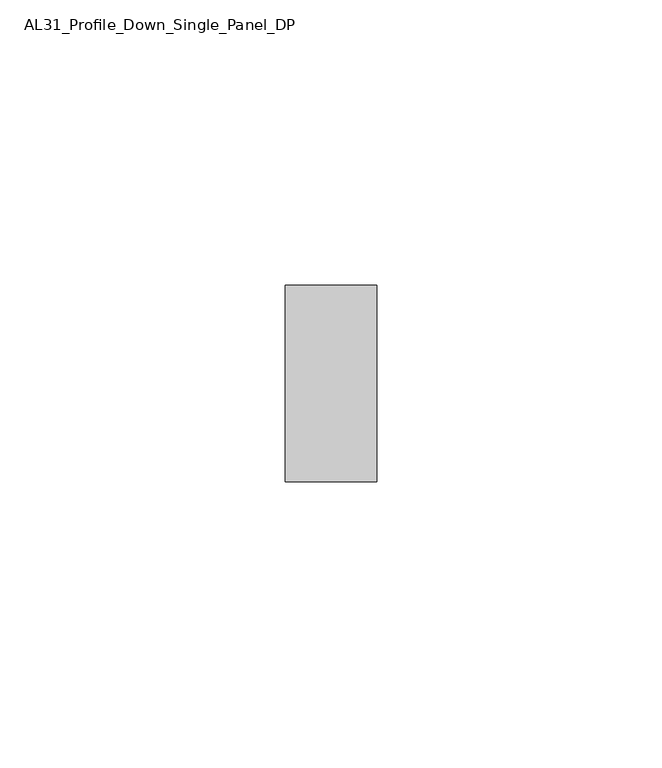
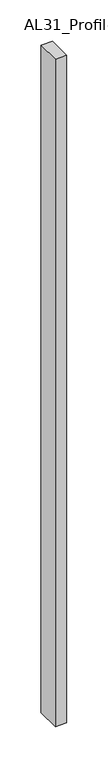
"""IFC4 building model written with IfcOpenShell, lengths in millimetres: member geometry, AL31_Profile_Down_Single_Panel_DP."""

from ifc_helpers import new_model, si_unit, frame, origin, place, context, project, spatial, polyline, outline, extrude, source, transform, mapped, element, save


def al31_profile_down_single_panel_dp_6d91a430(model_context):
    return source(origin(), model_context, "Body", "SweptSolid", [
        extrude(outline(polyline([(0.0, 37.107), (0.0, 2.607), (-16.0427074, 2.607), (-16.0427074, 37.107), (0.0, 37.107)])), frame((0.0, 0.0, -987.4001021), z_axis=(0.0, 0.0, 1.0), x_axis=(1.0, 0.0, 0.0)), (0.0, 0.0, 1.0), 987.4001021),
    ])


if __name__ == "__main__":
    model = new_model("IFC4")
    model_context = context("Model", 3, world=origin())
    ifc_project = project(units=[si_unit("LENGTHUNIT", "METRE", prefix="MILLI")], contexts=[model_context])
    site = spatial("IfcSite", under=ifc_project)
    building = spatial("IfcBuilding", under=site)
    placement = place(None, origin())
    al31_profile_down_single_panel_dp_shape = al31_profile_down_single_panel_dp_6d91a430(model_context)
    element("IfcMember", 1, ObjectType="AL31_Profile_Down_Single_Panel_DP", at=placement, inside=building, context=model_context, shape_type="MappedRepresentation", body=[
        mapped(al31_profile_down_single_panel_dp_shape, transform((0.0, 0.0, 0.0), x_axis=(1.0, 0.0, 0.0), y_axis=(0.0, 1.0, 0.0), z_axis=(0.0, 0.0, 1.0))),
    ])
    save(model, "model.ifc")
